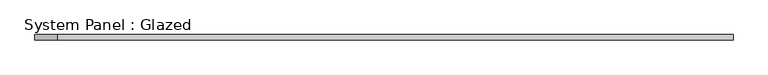
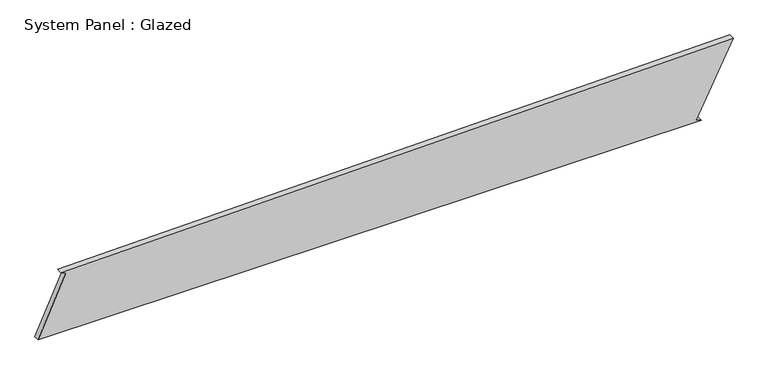
"""IFC4 building model written with IfcOpenShell, lengths in millimetres: plate geometry, System Panel : Glazed."""

from ifc_helpers import new_model, si_unit, frame, origin, place, context, project, spatial, polyline, outline, extrude, source, transform, mapped, element, save


def system_panel_glazed_bd3d51f9(model_context):
    return source(origin(), model_context, "Body", "SweptSolid", [
        extrude(outline(polyline([(0.0, -1594.4924502), (0.0, 1448.7750997), (11.1675985, 1426.4080538), (347.8157504, 1594.4924502), (289.8886275, -1490.0442658), (279.5339687, -1467.2894632), (0.0, -1594.4924502)])), frame((0.0, -49.5, 0.0), z_axis=(0.0, 1.0, 0.0), x_axis=(0.0, 0.0, 1.0)), (0.0, 0.0, 1.0), 25.0),
    ])


if __name__ == "__main__":
    model = new_model("IFC4")
    model_context = context("Model", 3, world=origin())
    ifc_project = project(units=[si_unit("LENGTHUNIT", "METRE", prefix="MILLI")], contexts=[model_context])
    site = spatial("IfcSite", under=ifc_project)
    building = spatial("IfcBuilding", under=site)
    placement = place(None, origin())
    system_panel_glazed_shape = system_panel_glazed_bd3d51f9(model_context)
    element("IfcPlate", 1, ObjectType="System Panel : Glazed", at=placement, inside=building, context=model_context, shape_type="MappedRepresentation", body=[
        mapped(system_panel_glazed_shape, transform((0.0, 0.0, 0.0), x_axis=(1.0, 0.0, 0.0), y_axis=(0.0, 1.0, 0.0), z_axis=(0.0, 0.0, 1.0))),
    ])
    save(model, "model.ifc")
